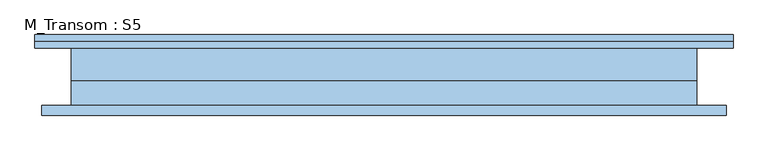
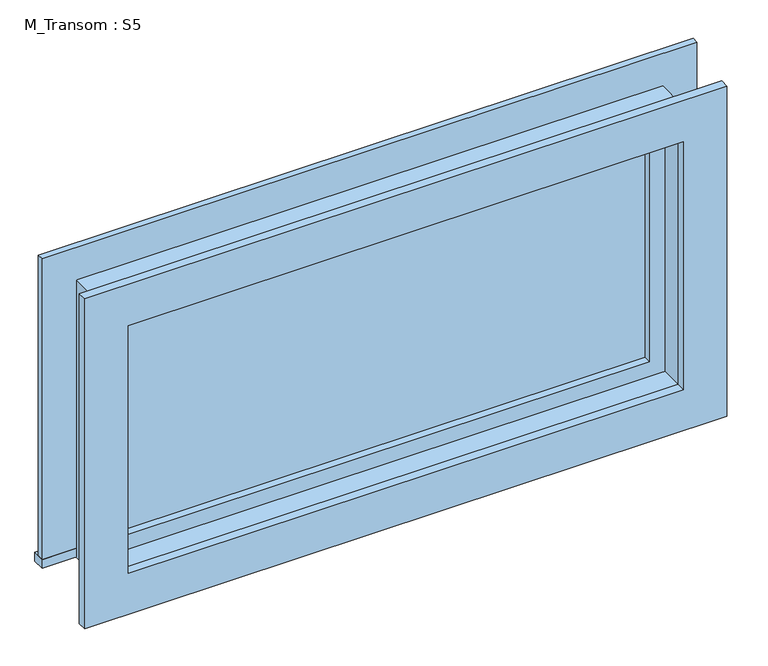
"""IFC4 building model written with IfcOpenShell, lengths in millimetres: window geometry, M_Transom : S5."""

import ifcopenshell
import ifcopenshell.guid

model = None  # the IFC model being written
_history = None  # IfcOwnerHistory: only IFC2X3 demands one
_inside = {}  # id of a spatial element -> (the spatial element, [elements in it])
_under = {}  # id of a project, library or spatial element -> (it, [spatial elements below it])
_declared = {}  # id of a project -> (the project, [libraries it declares])
_typed = {}  # id of a type object -> (the type object, [elements of that type])
_made_of = {}  # id of a material, layer set ... -> (it, [elements and type objects made of it])


def new_model(schema):
    """Start an empty IFC model of exactly this schema.

    Asked for "IFC4X3", IfcOpenShell would pick the latest addendum, in which some entities
    have other attributes; the version numbers below select the first issue.
    IFC2X3 requires an IfcOwnerHistory on every rooted entity: one is made here for all.
    """
    global model, _history
    if schema == "IFC4X3":
        model = ifcopenshell.file(schema_version=(4, 3, 0, 0))
    else:
        model = ifcopenshell.file(schema=schema)
    _inside.clear()
    _under.clear()
    _declared.clear()
    _typed.clear()
    _made_of.clear()
    _history = None
    if model.schema == "IFC2X3":
        org = make("IfcOrganization", Name="unknown")
        user = make(
            "IfcPersonAndOrganization",
            ThePerson=make("IfcPerson", FamilyName="unknown"),
            TheOrganization=org,
        )
        app = make(
            "IfcApplication",
            ApplicationDeveloper=org,
            Version="unknown",
            ApplicationFullName="unknown",
            ApplicationIdentifier="unknown",
        )
        _history = make(
            "IfcOwnerHistory",
            OwningUser=user,
            OwningApplication=app,
            ChangeAction="ADDED",
            CreationDate=0,
        )
    return model


def make(cls, **values):
    """One entity of the class cls with the attributes given. An attribute that is None is left unset."""
    return model.create_entity(
        cls, **{name: value for name, value in values.items() if value is not None}
    )


def rooted(cls, **values):
    """An entity with a GlobalId (a new one), such as an element, a storey or a relation."""
    return make(cls, GlobalId=ifcopenshell.guid.new(), OwnerHistory=_history, **values)


def si_unit(unit_type, name, prefix=None):
    """IfcSIUnit, for example si_unit("LENGTHUNIT", "METRE", prefix="MILLI")."""
    return make("IfcSIUnit", UnitType=unit_type, Prefix=prefix, Name=name)


def assignment(units):
    """IfcUnitAssignment: the units of a project."""
    return None if units is None else make("IfcUnitAssignment", Units=units)


def point(xyz):
    """IfcCartesianPoint."""
    return None if xyz is None else make("IfcCartesianPoint", Coordinates=xyz)


def direction(xyz):
    """IfcDirection."""
    return None if xyz is None else make("IfcDirection", DirectionRatios=xyz)


def frame(location, z_axis=None, x_axis=None):
    """IfcAxis2Placement3D, a coordinate frame: its origin and axes. An axis left out is left unset."""
    return make(
        "IfcAxis2Placement3D",
        Location=point(location),
        Axis=direction(z_axis),
        RefDirection=direction(x_axis),
    )


def origin():
    """The frame at (0, 0, 0) with its axes left unset."""
    return frame((0.0, 0.0, 0.0))


def place(relative_to, where):
    """IfcLocalPlacement: puts the frame where relative to a parent placement (None: the world)."""
    return make(
        "IfcLocalPlacement", PlacementRelTo=relative_to, RelativePlacement=where
    )


def context(
    kind, dimensions, precision=None, world=None, true_north=None, identifier=None
):
    """IfcGeometricRepresentationContext, for example the 3D "Model" context."""
    return make(
        "IfcGeometricRepresentationContext",
        ContextIdentifier=identifier,
        ContextType=kind,
        CoordinateSpaceDimension=dimensions,
        Precision=precision,
        WorldCoordinateSystem=world,
        TrueNorth=true_north,
    )


def project(units=None, contexts=None):
    """IfcProject with its units and contexts."""
    return rooted(
        "IfcProject",
        Name="project",
        RepresentationContexts=contexts,
        UnitsInContext=assignment(units),
    )


def spatial(cls, under=None, at=None, **own):
    """A site, building, storey or space (cls), placed at a placement, below another one or the project."""
    s = rooted(cls, ObjectPlacement=at, **own)
    if under is not None:
        _under.setdefault(under.id(), (under, []))[1].append(s)
    return s


def polyline(points):
    """IfcPolyline through the points."""
    return make("IfcPolyline", Points=[point(p) for p in points])


def outline(outer, holes=None, kind="AREA"):
    """IfcArbitraryClosedProfileDef: a profile drawn as a closed curve; with holes, ...WithVoids."""
    if holes is None:
        return make("IfcArbitraryClosedProfileDef", ProfileType=kind, OuterCurve=outer)
    return make(
        "IfcArbitraryProfileDefWithVoids",
        ProfileType=kind,
        OuterCurve=outer,
        InnerCurves=holes,
    )


def extrude(swept, where, along, depth):
    """IfcExtrudedAreaSolid: the profile swept, set in the frame where, extruded along a direction by depth."""
    return make(
        "IfcExtrudedAreaSolid",
        SweptArea=swept,
        Position=where,
        ExtrudedDirection=direction(along),
        Depth=depth,
    )


def shape(context_of_items, identifier, shape_type, items):
    """IfcShapeRepresentation: the items that make up one representation, for example the "Body"."""
    return make(
        "IfcShapeRepresentation",
        ContextOfItems=context_of_items,
        RepresentationIdentifier=identifier,
        RepresentationType=shape_type,
        Items=items,
    )


def source(mapping_origin, context_of_items, identifier, shape_type, items):
    """IfcRepresentationMap: a shape defined once, which mapped items show again and again."""
    return make(
        "IfcRepresentationMap",
        MappingOrigin=mapping_origin,
        MappedRepresentation=shape(context_of_items, identifier, shape_type, items),
    )


def transform(
    local_origin,
    x_axis=None,
    y_axis=None,
    z_axis=None,
    scale=None,
    scale2=None,
    scale3=None,
    uniform=True,
):
    """IfcCartesianTransformationOperator3D, or its non-uniform kind. x_axis, y_axis, z_axis: its Axis1, 2, 3."""
    if uniform:
        return make(
            "IfcCartesianTransformationOperator3D",
            Axis1=direction(x_axis),
            Axis2=direction(y_axis),
            LocalOrigin=point(local_origin),
            Scale=scale,
            Axis3=direction(z_axis),
        )
    return make(
        "IfcCartesianTransformationOperator3DnonUniform",
        Axis1=direction(x_axis),
        Axis2=direction(y_axis),
        LocalOrigin=point(local_origin),
        Scale=scale,
        Axis3=direction(z_axis),
        Scale2=scale2,
        Scale3=scale3,
    )


def mapped(mapping_source, mapping_target):
    """IfcMappedItem: shows the shape of a source again, moved by a transform."""
    return make(
        "IfcMappedItem", MappingSource=mapping_source, MappingTarget=mapping_target
    )


def made_of(thing, what):
    """Note that an element or type object is made of a material, layer set ...; save() writes the relation."""
    if what is not None:
        _made_of.setdefault(what.id(), (what, []))[1].append(thing)
    return thing


def element(
    cls,
    number,
    at=None,
    inside=None,
    cuts=None,
    type_object=None,
    material=None,
    context=None,
    identifier="Body",
    shape_type=None,
    held_by="IfcProductDefinitionShape",
    body=None,
    shapes=None,
    **own,
):
    """One element of the class cls, such as IfcWall. Its Tag is "e" and its number.

    at: its placement. inside: the storey or other place that contains it. cuts: it is an
    opening in that element (IfcRelVoidsElement). A single representation is given by context,
    identifier, shape_type and body (its items); several are given by shapes. held_by: the class
    of the entity that holds the representations. save() writes the other relations.
    """
    e = rooted(cls, Tag="e%d" % number, ObjectPlacement=at, **own)
    if body is not None:
        shapes = [shape(context, identifier, shape_type, body)]
    if shapes is not None:
        e.Representation = make(held_by, Representations=shapes)
    if inside is not None:
        _inside.setdefault(inside.id(), (inside, []))[1].append(e)
    if cuts is not None:
        rooted(
            "IfcRelVoidsElement", RelatingBuildingElement=cuts, RelatedOpeningElement=e
        )
    if type_object is not None:
        _typed.setdefault(type_object.id(), (type_object, []))[1].append(e)
    return made_of(e, material)


def aggregate(whole, parts):
    """IfcRelAggregates: a whole, such as a stair, and the parts it consists of."""
    return rooted("IfcRelAggregates", RelatingObject=whole, RelatedObjects=parts)


def save(model, path):
    """Write the relations noted so far, then the file.

    IfcRelAggregates (storeys below a building ...), IfcRelContainedInSpatialStructure (elements
    in a storey), IfcRelDefinesByType, IfcRelAssociatesMaterial and IfcRelDeclares: one each for
    every whole, place, type object, material and project.
    """
    for whole, parts in _under.values():
        aggregate(whole, parts)
    for where, things in _inside.values():
        rooted(
            "IfcRelContainedInSpatialStructure",
            RelatedElements=things,
            RelatingStructure=where,
        )
    for kind, things in _typed.values():
        rooted("IfcRelDefinesByType", RelatedObjects=things, RelatingType=kind)
    for what, things in _made_of.values():
        rooted("IfcRelAssociatesMaterial", RelatedObjects=things, RelatingMaterial=what)
    for by, libraries in _declared.values():
        rooted("IfcRelDeclares", RelatingContext=by, RelatedDefinitions=libraries)
    model.write(path)


def m_transom_s5_f2bafbb6(model_context):
    return source(origin(), model_context, "Body", "SweptSolid", [
        extrude(outline(polyline([(-708.05, 80.7), (631.85, 80.7), (631.85, 55.0), (-708.05, 55.0), (-708.05, 80.7)])), frame((0.0, 0.0, 2159.0), z_axis=(0.0, 0.0, 1.0), x_axis=(1.0, 0.0, 0.0)), (0.0, 0.0, 1.0), 19.05),
        extrude(outline(polyline([(2739.95, -619.05), (2739.95, 542.85), (2178.05, 542.85), (2178.05, 631.85), (2828.95, 631.85), (2828.95, -708.05), (2178.05, -708.05), (2178.05, -619.05), (2739.95, -619.05)])), frame((0.0, 55.0, 0.0), z_axis=(0.0, 1.0, 0.0), x_axis=(0.0, 0.0, 1.0)), (0.0, 0.0, 1.0), 13.0),
        extrude(outline(polyline([(2816.25, 619.15), (2816.25, -695.35), (2101.75, -695.35), (2101.75, 619.15), (2816.25, 619.15)]), holes=[polyline([(2727.25, 530.15), (2190.75, 530.15), (2190.75, -606.35), (2727.25, -606.35), (2727.25, 530.15)])]), frame((0.0, -74.0, 0.0), z_axis=(0.0, 1.0, 0.0), x_axis=(0.0, 0.0, 1.0)), (0.0, 0.0, 1.0), 19.0),
        extrude(outline(polyline([(498.4, 7.425), (-574.6, 7.425), (-574.6, 20.125), (498.4, 20.125), (498.4, 7.425)])), frame((0.0, 0.0, 2222.5), z_axis=(0.0, 0.0, 1.0), x_axis=(1.0, 0.0, 0.0)), (0.0, 0.0, 1.0), 473.0),
        extrude(outline(polyline([(2739.95, -619.05), (2178.05, -619.05), (2178.05, 542.85), (2739.95, 542.85), (2739.95, -619.05)]), holes=[polyline([(2695.5, -574.6), (2695.5, 498.4), (2222.5, 498.4), (2222.5, -574.6), (2695.5, -574.6)])]), frame((0.0, -8.45, 0.0), z_axis=(0.0, 1.0, 0.0), x_axis=(0.0, 0.0, 1.0)), (0.0, 0.0, 1.0), 44.45),
        extrude(outline(polyline([(2759.0, -638.1), (2159.0, -638.1), (2159.0, 561.9), (2759.0, 561.9), (2759.0, -638.1)]), holes=[polyline([(2727.25, -606.35), (2727.25, 530.15), (2190.75, 530.15), (2190.75, -606.35), (2727.25, -606.35)])]), frame((0.0, -55.0, 0.0), z_axis=(0.0, 1.0, 0.0), x_axis=(0.0, 0.0, 1.0)), (0.0, 0.0, 1.0), 46.55),
        extrude(outline(polyline([(2759.0, 561.9), (2759.0, -638.1), (2159.0, -638.1), (2159.0, 561.9), (2759.0, 561.9)]), holes=[polyline([(2739.95, 542.85), (2178.05, 542.85), (2178.05, -619.05), (2739.95, -619.05), (2739.95, 542.85)])]), frame((0.0, -8.45, 0.0), z_axis=(0.0, 1.0, 0.0), x_axis=(0.0, 0.0, 1.0)), (0.0, 0.0, 1.0), 63.45),
    ])


if __name__ == "__main__":
    model = new_model("IFC4")
    model_context = context("Model", 3, world=origin())
    ifc_project = project(units=[si_unit("LENGTHUNIT", "METRE", prefix="MILLI")], contexts=[model_context])
    site = spatial("IfcSite", under=ifc_project)
    building = spatial("IfcBuilding", under=site)
    placement = place(None, origin())
    m_transom_s5_shape = m_transom_s5_f2bafbb6(model_context)
    element("IfcWindow", 1, ObjectType="M_Transom : S5", at=placement, inside=building, context=model_context, shape_type="MappedRepresentation", body=[
        mapped(m_transom_s5_shape, transform((0.0, 0.0, 0.0), x_axis=(1.0, 0.0, 0.0), y_axis=(0.0, 1.0, 0.0), z_axis=(0.0, 0.0, 1.0))),
    ])
    save(model, "model.ifc")
